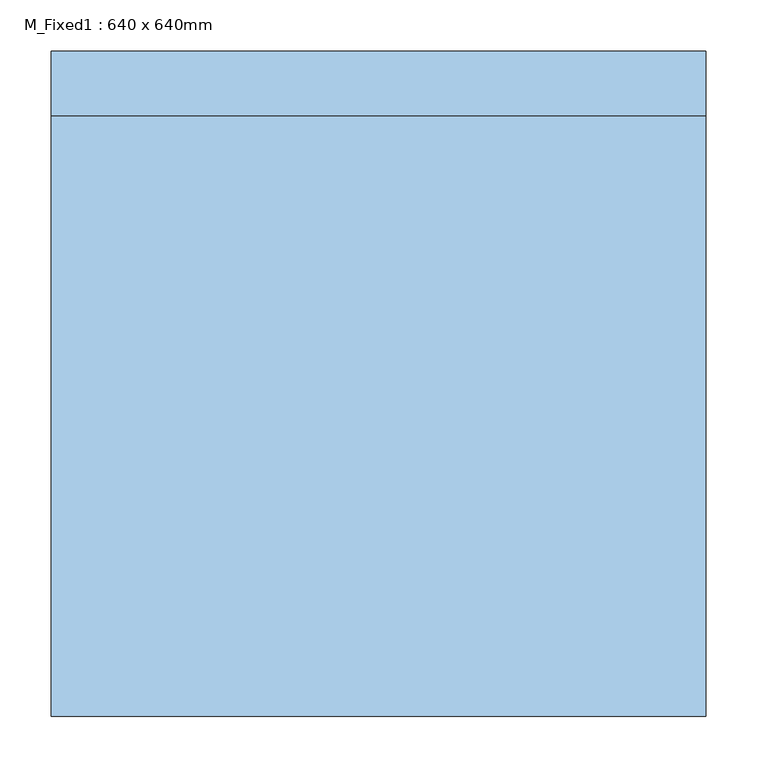
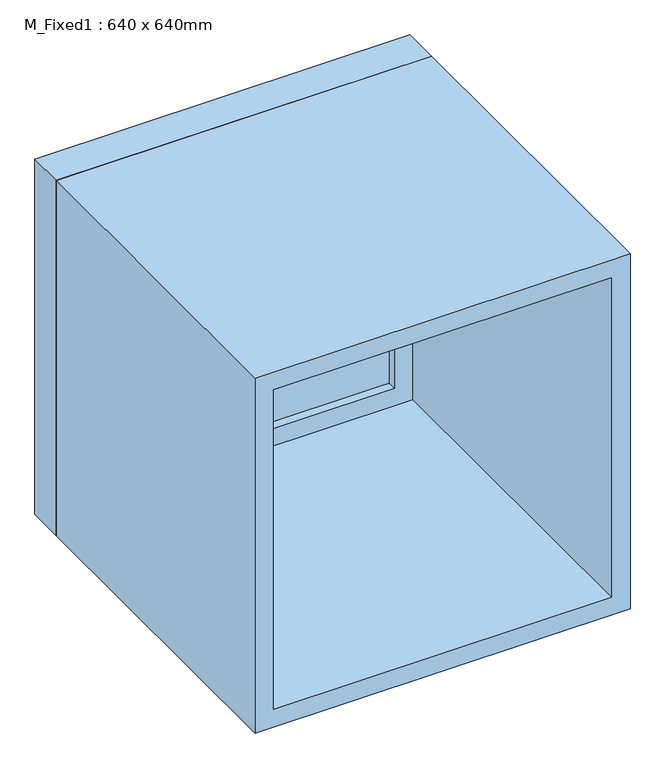
"""IFC4 building model written with IfcOpenShell, lengths in millimetres: window geometry, M_Fixed1 : 640 x 640mm."""

from ifc_helpers import new_model, si_unit, frame, origin, place, context, project, spatial, polyline, outline, extrude, source, transform, mapped, element, save


def m_fixed1_640_x_640mm_1af643aa(model_context):
    return source(origin(), model_context, "Body", "SweptSolid", [
        extrude(outline(polyline([(-257.0, 303.139091), (257.0, 303.139091), (257.0, 291.139091), (-257.0, 291.139091), (-257.0, 303.139091)])), frame((0.0, 0.0, 978.0), z_axis=(0.0, 0.0, 1.0), x_axis=(1.0, 0.0, 0.0)), (0.0, 0.0, 1.0), 514.0),
        extrude(outline(polyline([(1536.0, -301.0), (934.0, -301.0), (934.0, 301.0), (1536.0, 301.0), (1536.0, -301.0)]), holes=[polyline([(1492.0, -257.0), (1492.0, 257.0), (978.0, 257.0), (978.0, -257.0), (1492.0, -257.0)])]), frame((0.0, 275.139091, 0.0), z_axis=(0.0, 1.0, 0.0), x_axis=(0.0, 0.0, 1.0)), (0.0, 0.0, 1.0), 44.0),
        extrude(outline(polyline([(1555.0, -320.0), (915.0, -320.0), (915.0, 320.0), (1555.0, 320.0), (1555.0, -320.0)]), holes=[polyline([(1536.0, -301.0), (1536.0, 301.0), (934.0, 301.0), (934.0, -301.0), (1536.0, -301.0)])]), frame((0.0, 275.139091, 0.0), z_axis=(0.0, 1.0, 0.0), x_axis=(0.0, 0.0, 1.0)), (0.0, 0.0, 1.0), 63.0),
        extrude(outline(polyline([(1555.0, -320.0), (915.0, -320.0), (915.0, 320.0), (1555.0, 320.0), (1555.0, -320.0)]), holes=[polyline([(1523.0, -288.0), (1523.0, 288.0), (947.0, 288.0), (947.0, -288.0), (1523.0, -288.0)])]), frame((0.0, -312.139091, 0.0), z_axis=(0.0, 1.0, 0.0), x_axis=(0.0, 0.0, 1.0)), (0.0, 0.0, 1.0), 587.2781819),
    ])


if __name__ == "__main__":
    model = new_model("IFC4")
    model_context = context("Model", 3, world=origin())
    ifc_project = project(units=[si_unit("LENGTHUNIT", "METRE", prefix="MILLI")], contexts=[model_context])
    site = spatial("IfcSite", under=ifc_project)
    building = spatial("IfcBuilding", under=site)
    placement = place(None, origin())
    m_fixed1_640_x_640mm_shape = m_fixed1_640_x_640mm_1af643aa(model_context)
    element("IfcWindow", 1, ObjectType="M_Fixed1 : 640 x 640mm", at=placement, inside=building, context=model_context, shape_type="MappedRepresentation", body=[
        mapped(m_fixed1_640_x_640mm_shape, transform((0.0, 0.0, 0.0), x_axis=(1.0, 0.0, 0.0), y_axis=(0.0, 1.0, 0.0), z_axis=(0.0, 0.0, 1.0))),
    ])
    save(model, "model.ifc")
